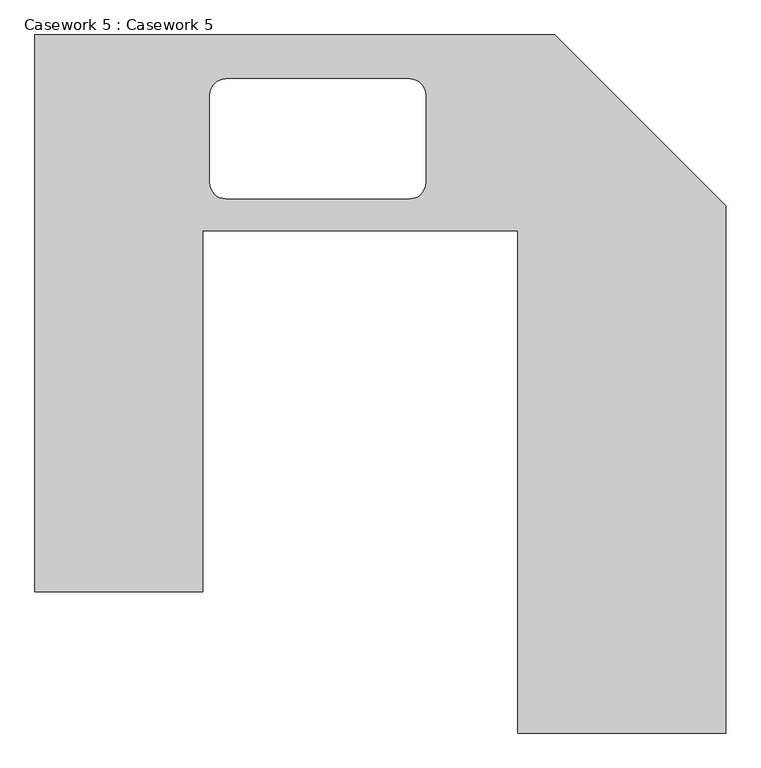
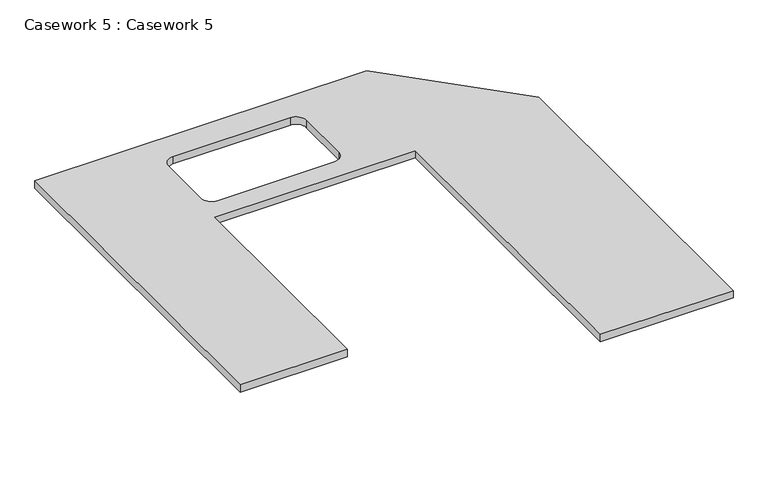
"""IFC4 building model written with IfcOpenShell, lengths in millimetres: furniture geometry, Casework 5 : Casework 5."""

from ifc_helpers import new_model, si_unit, point, frame, frame_2d, origin, place, context, project, spatial, polyline, circle_curve, trimmed, segment, composite_curve, outline, extrude, source, transform, mapped, element, save


def casework_5_casework_5_0c1d9b68(model_context):
    return source(origin(), model_context, "Body", "SweptSolid", [
        extrude(outline(polyline([(-8369.591866, 2021.9728598), (-6717.1285251, 2021.9728598), (-6174.702913, 1479.5472477), (-6174.702913, -196.6236651), (-6835.102913, -196.6236651), (-6835.102913, 1399.6728598), (-7836.191866, 1399.6728598), (-7836.191866, 251.7862007), (-8369.591866, 251.7862007), (-8369.591866, 2021.9728598)]), holes=[composite_curve([segment(trimmed(circle_curve(frame_2d((-7762.9652145, 1552.0728598)), 50.8), [point((-7813.7652145, 1552.0728598))], [point((-7762.9652145, 1501.2728598))], True, "CARTESIAN"), True, "CONTINUOUS"), segment(polyline([(-7762.9652145, 1501.2728598), (-7178.7652145, 1501.2728598)]), True, "CONTINUOUS"), segment(trimmed(circle_curve(frame_2d((-7178.7652145, 1552.0728598)), 50.8), [point((-7178.7652145, 1501.2728598))], [point((-7127.9652145, 1552.0728598))], True, "CARTESIAN"), True, "CONTINUOUS"), segment(polyline([(-7127.9652145, 1552.0728598), (-7127.9652145, 1831.4728598)]), True, "CONTINUOUS"), segment(trimmed(circle_curve(frame_2d((-7178.7652145, 1831.4728598)), 50.8), [point((-7127.9652145, 1831.4728598))], [point((-7178.7652145, 1882.2728598))], True, "CARTESIAN"), True, "CONTINUOUS"), segment(polyline([(-7178.7652145, 1882.2728598), (-7762.9652145, 1882.2728598)]), True, "CONTINUOUS"), segment(trimmed(circle_curve(frame_2d((-7762.9652145, 1831.4728598)), 50.8), [point((-7762.9652145, 1882.2728598))], [point((-7813.7652145, 1831.4728598))], True, "CARTESIAN"), True, "CONTINUOUS"), segment(polyline([(-7813.7652145, 1831.4728598), (-7813.7652145, 1552.0728598)]), True, "CONTINUOUS")], self_intersect=False)]), frame((0.0, 0.0, 1485.9), z_axis=(0.0, 0.0, 1.0), x_axis=(1.0, 0.0, 0.0)), (0.0, 0.0, 1.0), 38.1),
    ])


if __name__ == "__main__":
    model = new_model("IFC4")
    model_context = context("Model", 3, world=origin())
    ifc_project = project(units=[si_unit("LENGTHUNIT", "METRE", prefix="MILLI")], contexts=[model_context])
    site = spatial("IfcSite", under=ifc_project)
    building = spatial("IfcBuilding", under=site)
    placement = place(None, origin())
    casework_5_casework_5_shape = casework_5_casework_5_0c1d9b68(model_context)
    element("IfcFurniture", 1, ObjectType="Casework 5 : Casework 5", at=placement, inside=building, context=model_context, shape_type="MappedRepresentation", body=[
        mapped(casework_5_casework_5_shape, transform((0.0, 0.0, 0.0), x_axis=(1.0, 0.0, 0.0), y_axis=(0.0, 1.0, 0.0), z_axis=(0.0, 0.0, 1.0))),
    ])
    save(model, "model.ifc")
